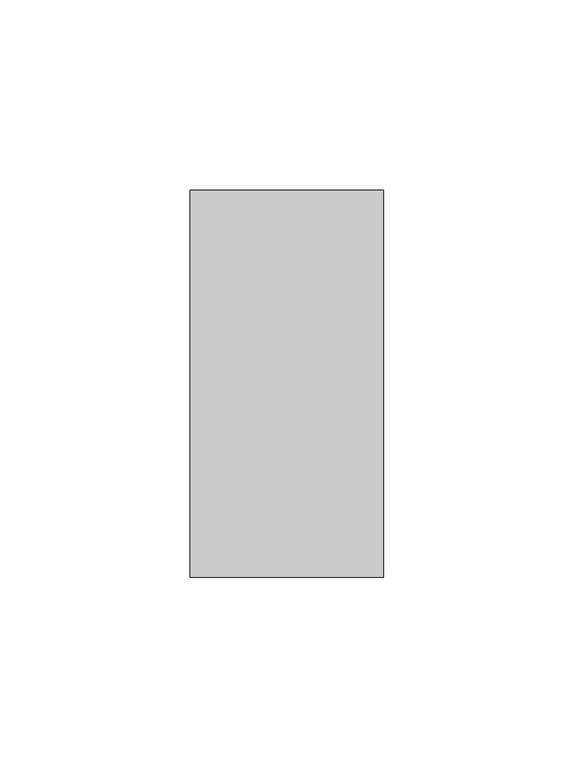
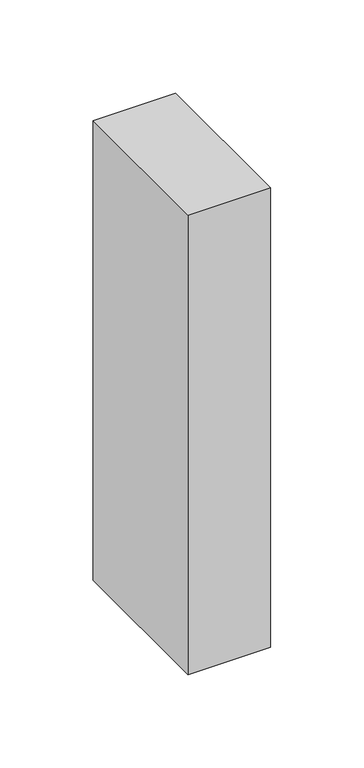
"""IFC4 building model written with IfcOpenShell, lengths in millimetres: proxy geometry."""

from ifc_helpers import new_model, si_unit, origin, origin_with_axes, place, context, project, spatial, polyline, outline, extrude, source, transform, mapped, element, save


def generic_models_9d842d72(model_context):
    return source(origin(), model_context, "Body", "SweptSolid", [
        extrude(outline(polyline([(50.8, 0.0), (0.0, 0.0), (0.0, 101.6), (50.8, 101.6), (50.8, 0.0)])), origin_with_axes(), (0.0, 0.0, 1.0), 300.0),
    ])


if __name__ == "__main__":
    model = new_model("IFC4")
    model_context = context("Model", 3, world=origin())
    ifc_project = project(units=[si_unit("LENGTHUNIT", "METRE", prefix="MILLI")], contexts=[model_context])
    site = spatial("IfcSite", under=ifc_project)
    building = spatial("IfcBuilding", under=site)
    placement = place(None, origin())
    generic_models_shape = generic_models_9d842d72(model_context)
    element("IfcBuildingElementProxy", 1, Name="Generic Models", at=placement, inside=building, context=model_context, shape_type="MappedRepresentation", body=[
        mapped(generic_models_shape, transform((0.0, 0.0, 0.0), x_axis=(1.0, 0.0, 0.0), y_axis=(0.0, 1.0, 0.0), z_axis=(0.0, 0.0, 1.0))),
    ])
    save(model, "model.ifc")
